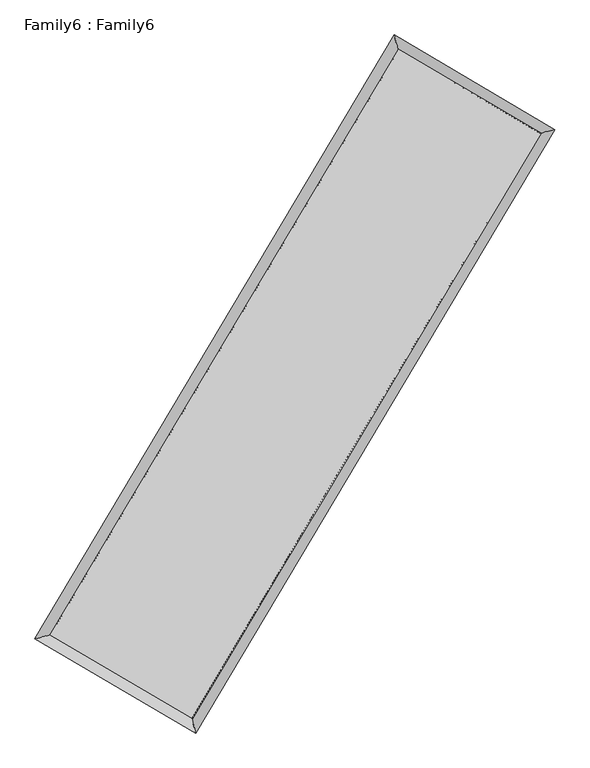
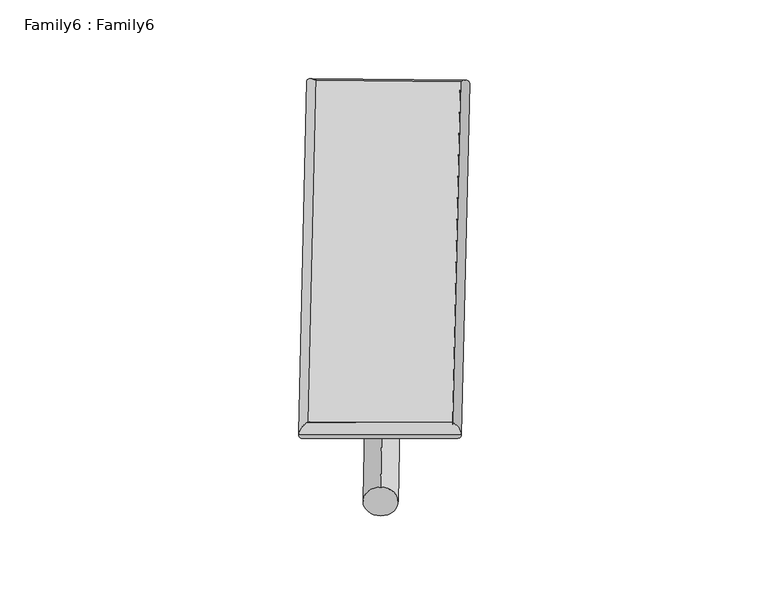
"""IFC4 building model written with IfcOpenShell, lengths in millimetres: plate geometry, Family6 : Family6."""

from ifc_helpers import new_model, si_unit, point, frame, origin, origin_2d, place, context, project, spatial, circle_curve, ellipse_curve, trimmed, segment, composite_curve, outline, extrude, source, transform, mapped, element, save
from ifc_brep_helpers import plane_surface, cylinder_surface, spline_surface, advanced_brep


def family6_family6_dfb3a514(model_context):
    return source(origin(), model_context, "Body", "SolidModel", [
        extrude(outline(composite_curve([segment(trimmed(circle_curve(origin_2d(), 76.2), [point((-75.4341514, -10.7763073))], [point((75.4341514, 10.7763073))], False, "CARTESIAN"), True, "CONTINUOUS"), segment(trimmed(circle_curve(origin_2d(), 76.2), [point((75.4341514, 10.7763073))], [point((-75.4341514, -10.7763073))], False, "CARTESIAN"), True, "CONTINUOUS")], self_intersect=False)), frame((9144.0, 9144.0, 0.0), z_axis=(0.673960056435721, 0.6869746021975458, 0.2717420436087936), x_axis=(-0.6789078239649835, 0.7209733412399977, -0.13885822906966971)), (0.0, 0.0, 1.0), 5574.7473888),
        extrude(outline(composite_curve([segment(trimmed(circle_curve(origin_2d(), 76.2), [point((-53.8815367, 53.8815368))], [point((53.8815367, -53.8815368))], False, "CARTESIAN"), True, "CONTINUOUS"), segment(trimmed(circle_curve(origin_2d(), 76.2), [point((53.8815367, -53.8815368))], [point((-53.8815367, 53.8815368))], False, "CARTESIAN"), True, "CONTINUOUS")], self_intersect=False)), frame((9144.0, 9144.0, 0.0), z_axis=(-0.6738847712082194, -0.6870590809993589, 0.2717151713650938), x_axis=(0.6404353605560855, -0.3598224283978949, 0.6785059830032735)), (0.0, 0.0, 1.0), 5575.3551021),
        extrude(outline(composite_curve([segment(trimmed(circle_curve(origin_2d(), 76.2), [point((-53.8815367, -53.8815367))], [point((53.8815367, 53.8815367))], False, "CARTESIAN"), True, "CONTINUOUS"), segment(trimmed(circle_curve(origin_2d(), 76.2), [point((53.8815367, 53.8815367))], [point((-53.8815367, -53.8815367))], False, "CARTESIAN"), True, "CONTINUOUS")], self_intersect=False)), frame((9144.0, 9144.0, 0.0), z_axis=(0.28159712009422777, 0.9193406513400646, 0.2748014351277355), x_axis=(-0.8386369421584917, 0.3749701869980501, -0.39507649652909255)), (0.0, 0.0, 1.0), 5567.2649272),
        extrude(outline(composite_curve([segment(trimmed(circle_curve(origin_2d(), 76.2), [point((-75.4341515, 10.7763073))], [point((75.4341515, -10.7763073))], False, "CARTESIAN"), True, "CONTINUOUS"), segment(trimmed(circle_curve(origin_2d(), 76.2), [point((75.4341515, -10.7763073))], [point((-75.4341515, 10.7763073))], False, "CARTESIAN"), True, "CONTINUOUS")], self_intersect=False)), frame((9144.0, 9144.0, 0.0), z_axis=(-0.28158594252317454, -0.9193074084704669, 0.27492407261760415), x_axis=(0.8761741832295651, -0.12953377213961084, 0.4642626438959828)), (0.0, 0.0, 1.0), 5564.6933312),
        advanced_brep(
        [(5177.4865706, 5259.5649821, 1516.1093612), (5596.2273892, 5367.2491693, 1516.4259042), (5596.2196346, 5367.2383125, 1513.7077728), (10765.1339112, 14053.9509275, 1528.2527414), (10658.3176294, 14470.4750013, 1531.5320421), (5177.4788161, 5259.5541253, 1513.3912298), (12691.8680684, 12920.0478311, 1515.0532578), (13110.4460611, 13027.3719085, 1514.7332383), (7523.5582853, 4236.4218975, 1529.5899873), (7630.5628816, 3820.250492, 1530.1463197)],
        [
            (0, 1, ellipse_curve(frame((5386.8531026, 5313.4016473, 1514.908567), z_axis=(-0.24905486377978225, 0.9684842296269405, -0.0031578143621116927), x_axis=(-0.9684720655577708, -0.24906858340811316, -0.005167106863669245)), 216.1934597, 152.4)),
            (1, 2, ellipse_curve(frame((5386.8531026, 5313.4016473, 1514.908567), z_axis=(-0.24905486377978225, 0.9684842296269405, -0.0031578143621116927), x_axis=(-0.9684720655577708, -0.24906858340811316, -0.005167106863669245)), 216.1934597, 152.4)),
            (2, 3),
            (3, 4, ellipse_curve(frame((10711.7257703, 14262.2129644, 1529.8923917), z_axis=(-0.9686445678957224, -0.24843063477244884, 0.0031497289831755896), x_axis=(0.24841262207018813, -0.9686403248558696, -0.0052048303842970505)), 215.0080519, 152.4)),
            (4, 0),
            (2, 5, ellipse_curve(frame((5386.8531026, 5313.4016473, 1514.908567), z_axis=(-0.24905486377978225, 0.9684842296269405, -0.0031578143621116927), x_axis=(-0.9684720655577708, -0.24906858340811316, -0.005167106863669245)), 216.1934597, 152.4)),
            (5, 0, ellipse_curve(frame((5386.8531026, 5313.4016473, 1514.908567), z_axis=(-0.24905486377978225, 0.9684842296269405, -0.0031578143621116927), x_axis=(-0.9684720655577708, -0.24906858340811316, -0.005167106863669245)), 216.1934597, 152.4)),
            (4, 3, ellipse_curve(frame((10711.7257703, 14262.2129644, 1529.8923917), z_axis=(-0.9686445678957224, -0.24843063477244884, 0.0031497289831755896), x_axis=(0.24841262207018813, -0.9686403248558696, -0.0052048303842970505)), 215.0080519, 152.4)),
            (3, 6),
            (6, 7, ellipse_curve(frame((12901.1570648, 12973.7098698, 1514.893248), z_axis=(-0.24836398962188563, 0.9686616068948732, 0.003165436295652722), x_axis=(-0.9686493961522322, -0.24837778357460433, 0.005179185310742791)), 216.0612247, 152.4)),
            (7, 4),
            (7, 6, ellipse_curve(frame((12901.1570648, 12973.7098698, 1514.893248), z_axis=(-0.24836398962188563, 0.9686616068948732, 0.003165436295652722), x_axis=(-0.9686493961522322, -0.24837778357460433, 0.005179185310742791)), 216.0612247, 152.4)),
            (6, 8),
            (8, 9, ellipse_curve(frame((7577.0605835, 4028.3361947, 1529.8681535), z_axis=(0.9684932729865037, 0.24901993832033106, 0.0031385504342119944), x_axis=(-0.249001995891768, 0.968489017175064, -0.005199005019683412)), 214.8555978, 152.4)),
            (9, 7),
            (9, 8, ellipse_curve(frame((7577.0605835, 4028.3361947, 1529.8681535), z_axis=(0.9684932729865037, 0.24901993832033106, 0.0031385504342119944), x_axis=(-0.249001995891768, 0.968489017175064, -0.005199005019683412)), 214.8555978, 152.4)),
            (8, 1),
            (5, 9),
        ],
        [
            cylinder_surface(frame((5386.8531026, 5313.4016473, 1514.908567), z_axis=(-0.511355637769683, -0.8593679894153341, -0.0014389195276818443), x_axis=(-0.8593383623974624, 0.5113223917489021, 0.009326875587778087)), 152.4),
            cylinder_surface(frame((10711.7257703, 14262.2129644, 1529.8923917), z_axis=(-0.8618155603407129, 0.5071874231846315, 0.005904042509733065), x_axis=(0.5072150633868318, 0.8618056817709284, 0.004883271530201771)), 152.4),
            cylinder_surface(frame((12901.1570648, 12973.7098698, 1514.893248), z_axis=(0.5114456865363771, 0.8593144013494164, -0.001438525922034563), x_axis=(0.8593155143170924, -0.511445686536377, 0.00039569847749330677)), 152.4),
            cylinder_surface(frame((7577.0605835, 4028.3361947, 1529.8681535), z_axis=(0.862485235318957, -0.5060479379058659, 0.005890959007159807), x_axis=(-0.5060321404565544, -0.8625052119465038, -0.004028919219154212)), 152.4),
        ],
        [
            (0, [[1, 2, 3, 4, 5]]),
            (0, [[6, 7, -5, 8, -3]]),
            (1, [[-4, 9, 10, 11]]),
            (1, [[-8, -11, 12, -9]]),
            (2, [[-10, 13, 14, 15]]),
            (2, [[-12, -15, 16, -13]]),
            (3, [[-14, 17, -1, -7, 18]]),
            (3, [[-16, -18, -6, -2, -17]]),
        ],
    ),
        extrude(outline(composite_curve([segment(trimmed(circle_curve(origin_2d(), 304.8), [point((0.0, -304.8))], [point((-1e-07, 304.8))], False, "CARTESIAN"), True, "CONTINUOUS"), segment(trimmed(circle_curve(origin_2d(), 304.8), [point((-1e-07, 304.8))], [point((0.0, -304.8))], False, "CARTESIAN"), True, "CONTINUOUS")], self_intersect=False)), frame((6480.081568, 4649.8916855, -1.72e-05), z_axis=(0.5099076624744554, 0.8602291414209571, 3.2911565789299183e-09), x_axis=(-0.8602291414209571, 0.5099076624744554, 9.021393766133987e-10)), (0.0, 0.0, 1.0), 10448.630715),
        advanced_brep(
        [(5386.8531026, 5313.4016473, 1514.908567), (7577.0605835, 4028.3361947, 1529.8681535), (7577.0617183, 4028.3354023, 1682.2681535), (5386.8542374, 5313.4008549, 1667.308567), (12901.1570648, 12973.7098698, 1514.893248), (12901.1581996, 12973.7090774, 1667.293248), (10711.7257703, 14262.2129644, 1529.8923917), (10711.7269051, 14262.212172, 1682.2923917)],
        [
            (0, 1),
            (1, 2),
            (2, 3),
            (3, 0),
            (1, 4),
            (4, 5),
            (5, 2),
            (4, 6),
            (6, 7),
            (7, 5),
            (6, 0),
            (3, 7),
        ],
        [
            plane_surface(frame((6481.9568431, 4670.868921, 1522.3883602), z_axis=(-0.5060567152851925, -0.862500203428526, -7.165060146251644e-07), x_axis=(0.8624852353189573, -0.5060479379058659, 0.00589095900715981))),
            plane_surface(frame((10239.1088241, 8501.0230323, 1522.3807008), z_axis=(0.8593152837654042, -0.5114462268950045, -9.057952786386061e-06), x_axis=(0.5114456865363769, 0.8593144013494164, -0.0014385259220345617))),
            plane_surface(frame((11806.4414175, 13617.9614171, 1522.3928199), z_axis=(0.5071962666986423, 0.8618305790852769, 7.045389038692548e-07), x_axis=(-0.8618155603407129, 0.5071874231846315, 0.005904042509733068))),
            plane_surface(frame((8049.2894365, 9787.8073058, 1522.4004794), z_axis=(-0.8593688857024225, 0.5113561559270912, 9.057883578941816e-06), x_axis=(-0.5113556377696828, -0.8593679894153341, -0.0014389195276818415))),
            spline_surface(1, 1, [[(7577.0617183, 4028.3354023, 1682.2681535), (5386.8542374, 5313.4008549, 1667.308567)], [(12901.1581996, 12973.7090774, 1667.293248), (10711.7269051, 14262.212172, 1682.2923917)]], [2, 2], [2, 2], [0.0, 1.0], [0.0, 1.0]),
            spline_surface(1, 1, [[(10711.7257703, 14262.2129644, 1529.8923917), (5386.8531026, 5313.4016473, 1514.908567)], [(12901.1570648, 12973.7098698, 1514.893248), (7577.0605835, 4028.3361947, 1529.8681535)]], [2, 2], [2, 2], [0.0, 1.0], [0.0, 1.0]),
        ],
        [
            (0, [[1, 2, 3, 4]]),
            (1, [[5, 6, 7, -2]]),
            (2, [[8, 9, 10, -6]]),
            (3, [[11, -4, 12, -9]]),
            (4, [[-3, -7, -10, -12]]),
            (5, [[-11, -8, -5, -1]]),
        ],
    ),
    ])


if __name__ == "__main__":
    model = new_model("IFC4")
    model_context = context("Model", 3, world=origin())
    ifc_project = project(units=[si_unit("LENGTHUNIT", "METRE", prefix="MILLI")], contexts=[model_context])
    site = spatial("IfcSite", under=ifc_project)
    building = spatial("IfcBuilding", under=site)
    placement = place(None, origin())
    family6_family6_shape = family6_family6_dfb3a514(model_context)
    element("IfcPlate", 1, ObjectType="Family6 : Family6", at=placement, inside=building, context=model_context, shape_type="MappedRepresentation", body=[
        mapped(family6_family6_shape, transform((0.0, 0.0, 0.0), x_axis=(1.0, 0.0, 0.0), y_axis=(0.0, 1.0, 0.0), z_axis=(0.0, 0.0, 1.0))),
    ])
    save(model, "model.ifc")
